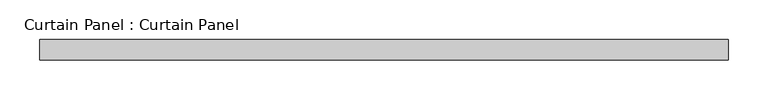
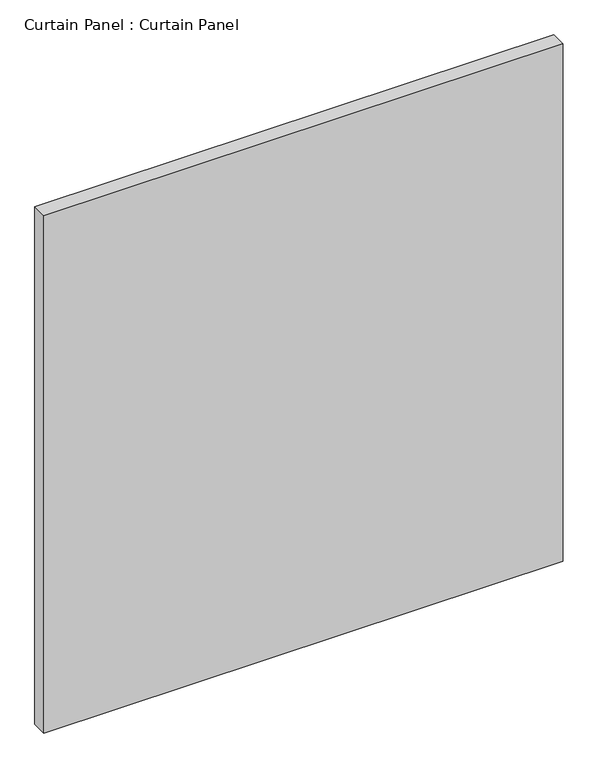
"""IFC4 building model written with IfcOpenShell, lengths in millimetres: plate geometry, Curtain Panel : Curtain Panel."""

from ifc_helpers import new_model, si_unit, frame, origin, place, context, project, spatial, polyline, outline, extrude, source, transform, mapped, element, save


def curtain_panel_curtain_panel_ca6868ef(model_context):
    return source(origin(), model_context, "Body", "SweptSolid", [
        extrude(outline(polyline([(-12718.5098813, 2085.8025004), (-13582.451013, 2085.8025004), (-13582.451013, 2111.2025004), (-12718.5098813, 2111.2025004), (-12718.5098813, 2085.8025004)])), frame((0.0, 0.0, 558.505926), z_axis=(0.0, 0.0, 1.0), x_axis=(1.0, 0.0, 0.0)), (0.0, 0.0, 1.0), 909.6140772),
    ])


if __name__ == "__main__":
    model = new_model("IFC4")
    model_context = context("Model", 3, world=origin())
    ifc_project = project(units=[si_unit("LENGTHUNIT", "METRE", prefix="MILLI")], contexts=[model_context])
    site = spatial("IfcSite", under=ifc_project)
    building = spatial("IfcBuilding", under=site)
    placement = place(None, origin())
    curtain_panel_curtain_panel_shape = curtain_panel_curtain_panel_ca6868ef(model_context)
    element("IfcPlate", 1, ObjectType="Curtain Panel : Curtain Panel", at=placement, inside=building, context=model_context, shape_type="MappedRepresentation", body=[
        mapped(curtain_panel_curtain_panel_shape, transform((0.0, 0.0, 0.0), x_axis=(1.0, 0.0, 0.0), y_axis=(0.0, 1.0, 0.0), z_axis=(0.0, 0.0, 1.0))),
    ])
    save(model, "model.ifc")
